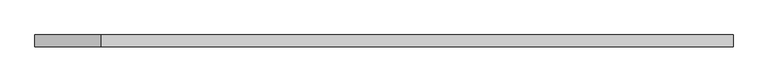
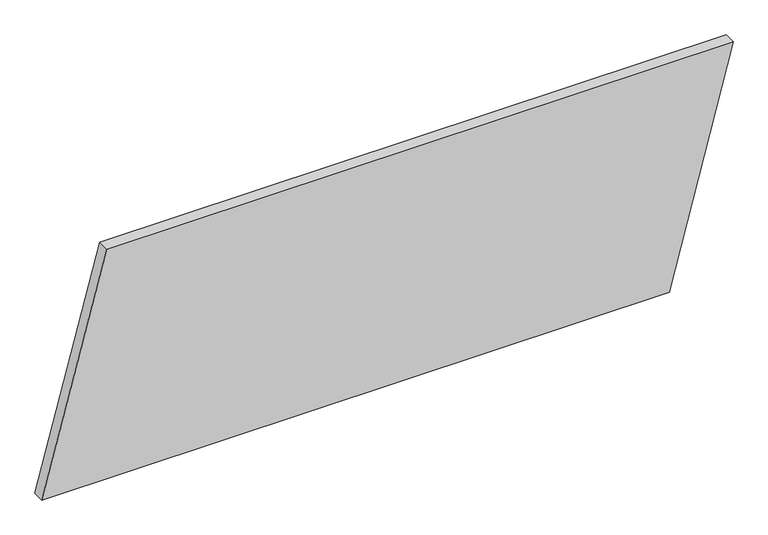
"""IFC4 building model written with IfcOpenShell, lengths in millimetres: plate geometry."""

from ifc_helpers import new_model, si_unit, frame, origin, place, context, project, spatial, polyline, outline, extrude, source, transform, mapped, element, save


def plate_42314ded(model_context):
    return source(origin(), model_context, "Body", "SweptSolid", [
        extrude(outline(polyline([(0.0, -742.3207189), (0.0, 605.3440752), (520.9887997, 742.3207189), (520.9887997, -602.7221908), (0.0, -742.3207189)])), frame((0.0, 24.5, 0.0), z_axis=(0.0, 1.0, 0.0), x_axis=(0.0, 0.0, 1.0)), (0.0, 0.0, 1.0), 25.0),
    ])


if __name__ == "__main__":
    model = new_model("IFC4")
    model_context = context("Model", 3, world=origin())
    ifc_project = project(units=[si_unit("LENGTHUNIT", "METRE", prefix="MILLI")], contexts=[model_context])
    site = spatial("IfcSite", under=ifc_project)
    building = spatial("IfcBuilding", under=site)
    placement = place(None, origin())
    plate_shape = plate_42314ded(model_context)
    element("IfcPlate", 1, at=placement, inside=building, context=model_context, shape_type="MappedRepresentation", body=[
        mapped(plate_shape, transform((0.0, 0.0, 0.0), x_axis=(1.0, 0.0, 0.0), y_axis=(0.0, 1.0, 0.0), z_axis=(0.0, 0.0, 1.0))),
    ])
    save(model, "model.ifc")
